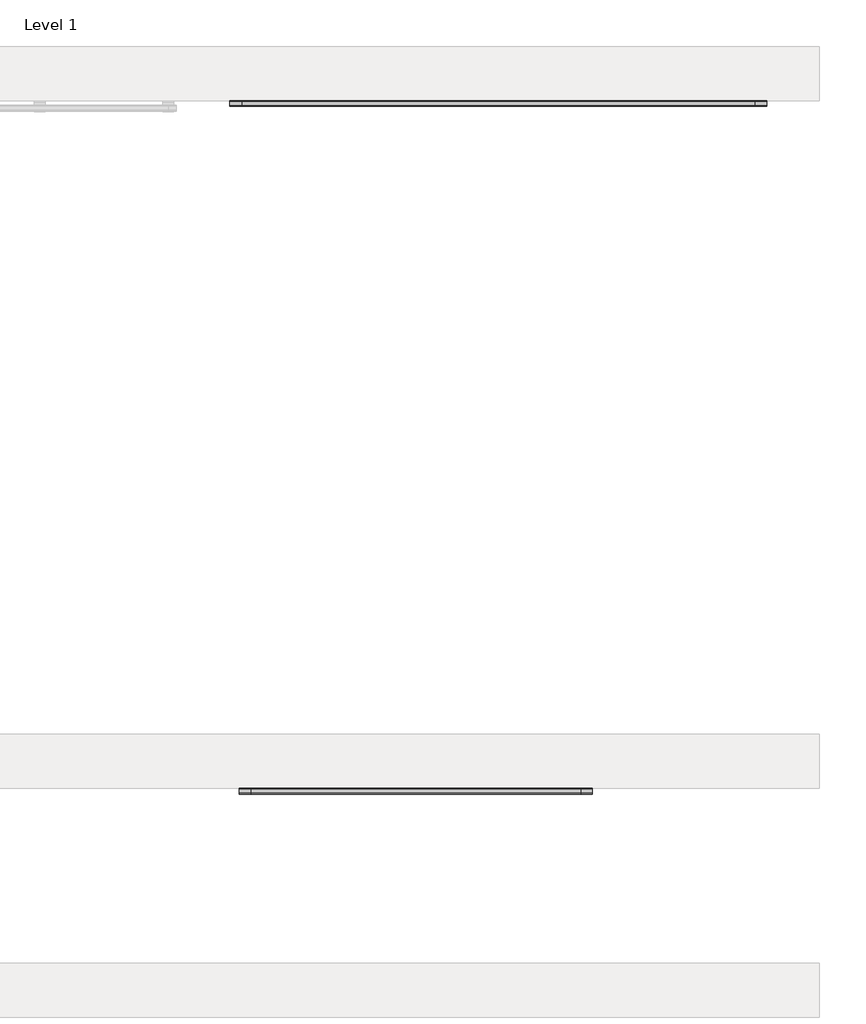
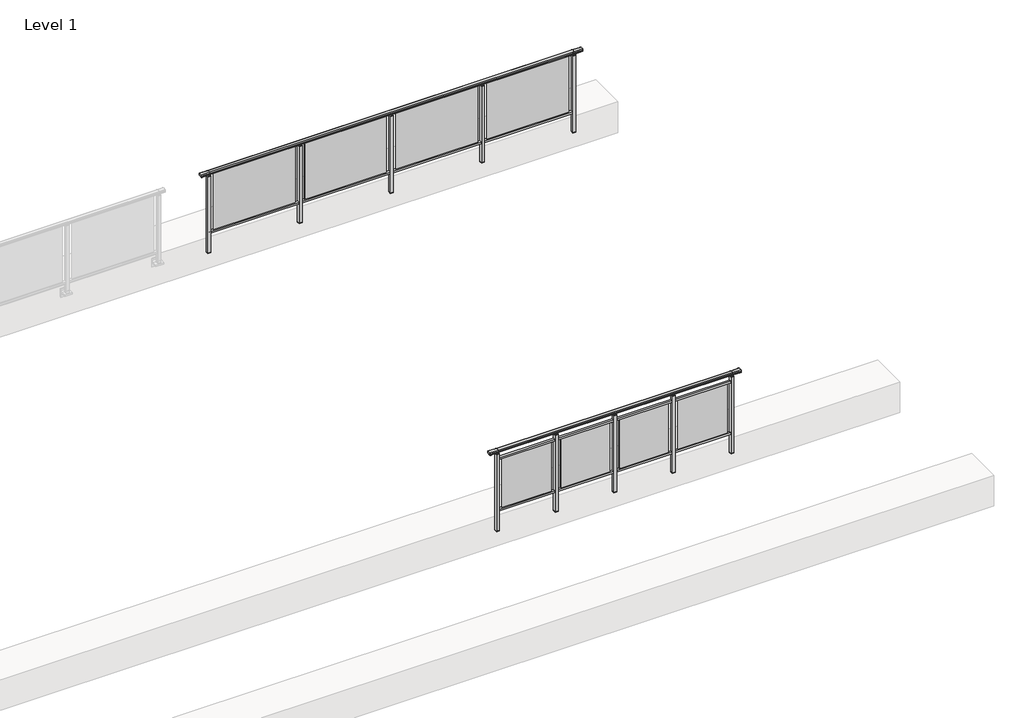
# One storey, part 44 of 64: 2 railings.
"""IFC4 building model written with IfcOpenShell, lengths in millimetres."""

from ifc_helpers import new_model, si_unit, frame, origin, place, context, project, spatial, polyline, circle_curve, outline, extrude, element, save
from ifc_brep_helpers import plane_surface, cylinder_surface, revolved_surface, advanced_brep

model = new_model("IFC4")

# Units and contexts
model_context = context("Model", 3, world=origin())
ifc_project = project(units=[si_unit("LENGTHUNIT", "METRE", prefix="MILLI")], contexts=[model_context])

# Site, building, storey
site = spatial("IfcSite", under=ifc_project)
building = spatial("IfcBuilding", under=site)
storey = spatial("IfcBuildingStorey", under=building, Name="Level 1", Elevation=0.0)

# Railings
placement = place(None, origin())
element("IfcRailing", 1, at=placement, inside=storey, context=model_context, shape_type="SolidModel", body=[
    advanced_brep(
    [(49272.5, 14892.8633756, 1095.6691182), (49272.5, 14897.6846828, 1081.1334092), (49272.5, 14896.7413744, 1069.2539035), (49272.5, 14898.6364177, 1061.4863007), (49272.5, 14896.9894799, 1060.384124), (49272.5, 14896.9894799, 1062.0), (49272.5, 14838.3798858, 1062.0), (49272.5, 14838.3798858, 1060.384124), (49272.5, 14836.732948, 1061.4863007), (49272.5, 14838.6279912, 1069.2539035), (49272.5, 14837.6846828, 1081.1334092), (49272.5, 14842.50599, 1095.6691182), (55127.5, 14892.8633756, 1095.6691182), (55127.5, 14842.50599, 1095.6691182), (55127.5, 14837.6846828, 1081.1334092), (55127.5, 14838.6279912, 1069.2539035), (55127.5, 14836.732948, 1061.4863007), (55127.5, 14838.3798858, 1060.384124), (55127.5, 14838.3798858, 1062.0), (55127.5, 14896.9894799, 1062.0), (55127.5, 14896.9894799, 1060.384124), (55127.5, 14898.6364177, 1061.4863007), (55127.5, 14896.7413744, 1069.2539035), (55127.5, 14897.6846828, 1081.1334092), (49400.0, 14892.8633756, 1095.6691182), (49400.0, 14897.6846828, 1081.1334092), (49400.0, 14896.7413744, 1069.2539035), (49400.0, 14898.6364177, 1061.4863007), (49400.0, 14896.9894799, 1060.384124), (49400.0, 14896.9894799, 1062.0), (49400.0, 14838.3798858, 1062.0), (49400.0, 14838.3798858, 1060.384124), (49400.0, 14836.732948, 1061.4863007), (49400.0, 14838.6279912, 1069.2539035), (49400.0, 14837.6846828, 1081.1334092), (49400.0, 14842.50599, 1095.6691182), (55000.0, 14892.8633756, 1095.6691182), (55000.0, 14897.6846828, 1081.1334092), (55000.0, 14896.7413744, 1069.2539035), (55000.0, 14898.6364177, 1061.4863007), (55000.0, 14896.9894799, 1060.384124), (55000.0, 14896.9894799, 1062.0), (55000.0, 14838.3798858, 1062.0), (55000.0, 14838.3798858, 1060.384124), (55000.0, 14836.732948, 1061.4863007), (55000.0, 14838.6279912, 1069.2539035), (55000.0, 14837.6846828, 1081.1334092), (55000.0, 14842.50599, 1095.6691182)],
    [
        (0, 1, circle_curve(frame((49272.5, 14889.6223845, 1086.526686), z_axis=(-1.0, 0.0, 0.0), x_axis=(0.0, -1.0, 0.0)), 9.6999015)),
        (1, 2, circle_curve(frame((49272.5, 14915.2252545, 1073.7633709), z_axis=(1.0, 0.0, 0.0), x_axis=(0.0, -1.0, 0.0)), 19.0260117)),
        (2, 3),
        (3, 4, circle_curve(frame((49272.5, 14897.7772073, 1060.9886194), z_axis=(-1.0, 0.0, 0.0), x_axis=(0.0, -1.0, 0.0)), 0.9929396)),
        (4, 5),
        (5, 6),
        (6, 7),
        (7, 8, circle_curve(frame((49272.5, 14837.5921584, 1060.9886194), z_axis=(-1.0, 0.0, 0.0), x_axis=(0.0, 1.0, 0.0)), 0.9929396)),
        (8, 9),
        (9, 10, circle_curve(frame((49272.5, 14820.1441111, 1073.7633709), z_axis=(1.0, 0.0, 0.0), x_axis=(0.0, 1.0, 0.0)), 19.0260117)),
        (10, 11, circle_curve(frame((49272.5, 14845.7469812, 1086.526686), z_axis=(-1.0, 0.0, 0.0), x_axis=(0.0, 1.0, 0.0)), 9.6999015)),
        (11, 0, circle_curve(frame((49272.5, 14867.6846828, 1024.6431628), z_axis=(-1.0, 0.0, 0.0), x_axis=(0.0, 1.0, 0.0)), 75.3568372)),
        (12, 13, circle_curve(frame((55127.5, 14867.6846828, 1024.6431628), z_axis=(1.0, 0.0, 0.0), x_axis=(0.0, 1.0, 0.0)), 75.3568372)),
        (13, 14, circle_curve(frame((55127.5, 14845.7469812, 1086.526686), z_axis=(1.0, 0.0, 0.0), x_axis=(0.0, 1.0, 0.0)), 9.6999015)),
        (14, 15, circle_curve(frame((55127.5, 14820.1441111, 1073.7633709), z_axis=(-1.0, 0.0, 0.0), x_axis=(0.0, 1.0, 0.0)), 19.0260117)),
        (15, 16),
        (16, 17, circle_curve(frame((55127.5, 14837.5921584, 1060.9886194), z_axis=(1.0, 0.0, 0.0), x_axis=(0.0, 1.0, 0.0)), 0.9929396)),
        (17, 18),
        (18, 19),
        (19, 20),
        (20, 21, circle_curve(frame((55127.5, 14897.7772073, 1060.9886194), z_axis=(1.0, 0.0, 0.0), x_axis=(0.0, -1.0, 0.0)), 0.9929396)),
        (21, 22),
        (22, 23, circle_curve(frame((55127.5, 14915.2252545, 1073.7633709), z_axis=(-1.0, 0.0, 0.0), x_axis=(0.0, -1.0, 0.0)), 19.0260117)),
        (23, 12, circle_curve(frame((55127.5, 14889.6223845, 1086.526686), z_axis=(1.0, 0.0, 0.0), x_axis=(0.0, -1.0, 0.0)), 9.6999015)),
        (0, 24),
        (24, 25, circle_curve(frame((49400.0, 14889.6223845, 1086.526686), z_axis=(-1.0, 0.0, 0.0), x_axis=(0.0, -1.0, 0.0)), 9.6999015)),
        (25, 1),
        (25, 26, circle_curve(frame((49400.0, 14915.2252545, 1073.7633709), z_axis=(1.0, 0.0, 0.0), x_axis=(0.0, -1.0, 0.0)), 19.0260117)),
        (26, 2),
        (26, 27),
        (27, 3),
        (27, 28, circle_curve(frame((49400.0, 14897.7772073, 1060.9886194), z_axis=(-1.0, 0.0, 0.0), x_axis=(0.0, -1.0, 0.0)), 0.9929396)),
        (28, 4),
        (28, 29),
        (29, 5),
        (29, 30),
        (30, 6),
        (30, 31),
        (31, 7),
        (31, 32, circle_curve(frame((49400.0, 14837.5921584, 1060.9886194), z_axis=(-1.0, 0.0, 0.0), x_axis=(0.0, 1.0, 0.0)), 0.9929396)),
        (32, 8),
        (32, 33),
        (33, 9),
        (33, 34, circle_curve(frame((49400.0, 14820.1441111, 1073.7633709), z_axis=(1.0, 0.0, 0.0), x_axis=(0.0, 1.0, 0.0)), 19.0260117)),
        (34, 10),
        (34, 35, circle_curve(frame((49400.0, 14845.7469812, 1086.526686), z_axis=(-1.0, 0.0, 0.0), x_axis=(0.0, 1.0, 0.0)), 9.6999015)),
        (35, 11),
        (35, 24, circle_curve(frame((49400.0, 14867.6846828, 1024.6431628), z_axis=(-1.0, 0.0, 0.0), x_axis=(0.0, 1.0, 0.0)), 75.3568372)),
        (24, 36),
        (36, 37, circle_curve(frame((55000.0, 14889.6223845, 1086.526686), z_axis=(-1.0, 0.0, 0.0), x_axis=(0.0, -1.0, 0.0)), 9.6999015)),
        (37, 25),
        (37, 38, circle_curve(frame((55000.0, 14915.2252545, 1073.7633709), z_axis=(1.0, 0.0, 0.0), x_axis=(0.0, -1.0, 0.0)), 19.0260117)),
        (38, 26),
        (38, 39),
        (39, 27),
        (39, 40, circle_curve(frame((55000.0, 14897.7772073, 1060.9886194), z_axis=(-1.0, 0.0, 0.0), x_axis=(0.0, -1.0, 0.0)), 0.9929396)),
        (40, 28),
        (40, 41),
        (41, 29),
        (41, 42),
        (42, 30),
        (42, 43),
        (43, 31),
        (43, 44, circle_curve(frame((55000.0, 14837.5921584, 1060.9886194), z_axis=(-1.0, 0.0, 0.0), x_axis=(0.0, 1.0, 0.0)), 0.9929396)),
        (44, 32),
        (44, 45),
        (45, 33),
        (45, 46, circle_curve(frame((55000.0, 14820.1441111, 1073.7633709), z_axis=(1.0, 0.0, 0.0), x_axis=(0.0, 1.0, 0.0)), 19.0260117)),
        (46, 34),
        (46, 47, circle_curve(frame((55000.0, 14845.7469812, 1086.526686), z_axis=(-1.0, 0.0, 0.0), x_axis=(0.0, 1.0, 0.0)), 9.6999015)),
        (47, 35),
        (47, 36, circle_curve(frame((55000.0, 14867.6846828, 1024.6431628), z_axis=(-1.0, 0.0, 0.0), x_axis=(0.0, 1.0, 0.0)), 75.3568372)),
        (36, 12),
        (23, 37),
        (22, 38),
        (21, 39),
        (20, 40),
        (19, 41),
        (18, 42),
        (17, 43),
        (16, 44),
        (15, 45),
        (14, 46),
        (13, 47),
    ],
    [
        plane_surface(frame((49272.5, 14867.6846828, 1100.0), z_axis=(-1.0, 0.0, 0.0), x_axis=(0.0, 1.0, 0.0))),
        plane_surface(frame((55127.5, 14867.6846828, 1100.0), z_axis=(1.0, 0.0, 0.0), x_axis=(0.0, 1.0, 0.0))),
        cylinder_surface(frame((49272.5, 14889.6223845, 1086.526686), z_axis=(-1.0, 0.0, 0.0), x_axis=(0.0, -1.0, 0.0)), 9.6999015),
        revolved_surface(polyline([(49400.0, 14896.1992428, 1073.7633709), (49272.5, 14896.1992428, 1073.7633709)]), (49272.5, 14915.2252545, 1073.7633709), (1.0, 0.0, 0.0)),
        plane_surface(frame((49272.5, 14896.7413744, 1069.2539035), z_axis=(0.0, 0.9715057689301543, 0.2370159086125439), x_axis=(1.0, 0.0, 0.0))),
        cylinder_surface(frame((49272.5, 14897.7772073, 1060.9886194), z_axis=(-1.0, 0.0, 0.0), x_axis=(0.0, -1.0, 0.0)), 0.9929396),
        plane_surface(frame((49272.5, 14896.9894799, 1060.384124), z_axis=(0.0, -1.0, 0.0), x_axis=(1.0, 0.0, 0.0))),
        plane_surface(frame((49272.5, 14896.9894799, 1062.0), z_axis=(0.0, 0.0, -1.0), x_axis=(1.0, 0.0, 0.0))),
        plane_surface(frame((49272.5, 14838.3798858, 1062.0), z_axis=(0.0, 1.0, 0.0), x_axis=(1.0, 0.0, 0.0))),
        cylinder_surface(frame((49272.5, 14837.5921584, 1060.9886194), z_axis=(-1.0, 0.0, 0.0), x_axis=(0.0, 1.0, 0.0)), 0.9929396),
        plane_surface(frame((49272.5, 14836.732948, 1061.4863007), z_axis=(0.0, -0.9715057689301543, 0.2370159086125439), x_axis=(1.0, 0.0, 0.0))),
        revolved_surface(polyline([(49400.0, 14839.1701228, 1073.7633709), (49272.5, 14839.1701228, 1073.7633709)]), (49272.5, 14820.1441111, 1073.7633709), (1.0, 0.0, 0.0)),
        cylinder_surface(frame((49272.5, 14845.7469812, 1086.526686), z_axis=(-1.0, 0.0, 0.0), x_axis=(0.0, 1.0, 0.0)), 9.6999015),
        cylinder_surface(frame((49272.5, 14867.6846828, 1024.6431628), z_axis=(-1.0, 0.0, 0.0), x_axis=(0.0, 1.0, 0.0)), 75.3568372),
        cylinder_surface(frame((49400.0, 14889.6223845, 1086.526686), z_axis=(-1.0, 0.0, 0.0), x_axis=(0.0, -1.0, 0.0)), 9.6999015),
        revolved_surface(polyline([(55000.0, 14896.1992428, 1073.7633709), (49400.0, 14896.1992428, 1073.7633709)]), (49400.0, 14915.2252545, 1073.7633709), (1.0, 0.0, 0.0)),
        plane_surface(frame((49400.0, 14896.7413744, 1069.2539035), z_axis=(0.0, 0.9715057689301543, 0.2370159086125439), x_axis=(1.0, 0.0, 0.0))),
        cylinder_surface(frame((49400.0, 14897.7772073, 1060.9886194), z_axis=(-1.0, 0.0, 0.0), x_axis=(0.0, -1.0, 0.0)), 0.9929396),
        plane_surface(frame((49400.0, 14896.9894799, 1060.384124), z_axis=(0.0, -1.0, 0.0), x_axis=(1.0, 0.0, 0.0))),
        plane_surface(frame((49400.0, 14896.9894799, 1062.0), z_axis=(0.0, 0.0, -1.0), x_axis=(1.0, 0.0, 0.0))),
        plane_surface(frame((49400.0, 14838.3798858, 1062.0), z_axis=(0.0, 1.0, 0.0), x_axis=(1.0, 0.0, 0.0))),
        cylinder_surface(frame((49400.0, 14837.5921584, 1060.9886194), z_axis=(-1.0, 0.0, 0.0), x_axis=(0.0, 1.0, 0.0)), 0.9929396),
        plane_surface(frame((49400.0, 14836.732948, 1061.4863007), z_axis=(0.0, -0.9715057689301543, 0.2370159086125439), x_axis=(1.0, 0.0, 0.0))),
        revolved_surface(polyline([(55000.0, 14839.1701228, 1073.7633709), (49400.0, 14839.1701228, 1073.7633709)]), (49400.0, 14820.1441111, 1073.7633709), (1.0, 0.0, 0.0)),
        cylinder_surface(frame((49400.0, 14845.7469812, 1086.526686), z_axis=(-1.0, 0.0, 0.0), x_axis=(0.0, 1.0, 0.0)), 9.6999015),
        cylinder_surface(frame((49400.0, 14867.6846828, 1024.6431628), z_axis=(-1.0, 0.0, 0.0), x_axis=(0.0, 1.0, 0.0)), 75.3568372),
        cylinder_surface(frame((55000.0, 14889.6223845, 1086.526686), z_axis=(-1.0, 0.0, 0.0), x_axis=(0.0, -1.0, 0.0)), 9.6999015),
        revolved_surface(polyline([(55127.5, 14896.1992428, 1073.7633709), (55000.0, 14896.1992428, 1073.7633709)]), (55000.0, 14915.2252545, 1073.7633709), (1.0, 0.0, 0.0)),
        plane_surface(frame((55000.0, 14896.7413744, 1069.2539035), z_axis=(0.0, 0.9715057689301543, 0.2370159086125439), x_axis=(1.0, 0.0, 0.0))),
        cylinder_surface(frame((55000.0, 14897.7772073, 1060.9886194), z_axis=(-1.0, 0.0, 0.0), x_axis=(0.0, -1.0, 0.0)), 0.9929396),
        plane_surface(frame((55000.0, 14896.9894799, 1060.384124), z_axis=(0.0, -1.0, 0.0), x_axis=(1.0, 0.0, 0.0))),
        plane_surface(frame((55000.0, 14896.9894799, 1062.0), z_axis=(0.0, 0.0, -1.0), x_axis=(1.0, 0.0, 0.0))),
        plane_surface(frame((55000.0, 14838.3798858, 1062.0), z_axis=(0.0, 1.0, 0.0), x_axis=(1.0, 0.0, 0.0))),
        cylinder_surface(frame((55000.0, 14837.5921584, 1060.9886194), z_axis=(-1.0, 0.0, 0.0), x_axis=(0.0, 1.0, 0.0)), 0.9929396),
        plane_surface(frame((55000.0, 14836.732948, 1061.4863007), z_axis=(0.0, -0.9715057689301543, 0.2370159086125439), x_axis=(1.0, 0.0, 0.0))),
        revolved_surface(polyline([(55127.5, 14839.1701228, 1073.7633709), (55000.0, 14839.1701228, 1073.7633709)]), (55000.0, 14820.1441111, 1073.7633709), (1.0, 0.0, 0.0)),
        cylinder_surface(frame((55000.0, 14845.7469812, 1086.526686), z_axis=(-1.0, 0.0, 0.0), x_axis=(0.0, 1.0, 0.0)), 9.6999015),
        cylinder_surface(frame((55000.0, 14867.6846828, 1024.6431628), z_axis=(-1.0, 0.0, 0.0), x_axis=(0.0, 1.0, 0.0)), 75.3568372),
    ],
    [
        (0, [[1, 2, 3, 4, 5, 6, 7, 8, 9, 10, 11, 12]]),
        (1, [[13, 14, 15, 16, 17, 18, 19, 20, 21, 22, 23, 24]]),
        (2, [[-1, 25, 26, 27]]),
        (3, [[-2, -27, 28, 29]]),
        (4, [[-3, -29, 30, 31]]),
        (5, [[-4, -31, 32, 33]]),
        (6, [[-5, -33, 34, 35]]),
        (7, [[-6, -35, 36, 37]]),
        (8, [[-7, -37, 38, 39]]),
        (9, [[-8, -39, 40, 41]]),
        (10, [[-9, -41, 42, 43]]),
        (11, [[-10, -43, 44, 45]]),
        (12, [[-11, -45, 46, 47]]),
        (13, [[-12, -47, 48, -25]]),
        (14, [[-26, 49, 50, 51]]),
        (15, [[-28, -51, 52, 53]]),
        (16, [[-30, -53, 54, 55]]),
        (17, [[-32, -55, 56, 57]]),
        (18, [[-34, -57, 58, 59]]),
        (19, [[-36, -59, 60, 61]]),
        (20, [[-38, -61, 62, 63]]),
        (21, [[-40, -63, 64, 65]]),
        (22, [[-42, -65, 66, 67]]),
        (23, [[-44, -67, 68, 69]]),
        (24, [[-46, -69, 70, 71]]),
        (25, [[-48, -71, 72, -49]]),
        (26, [[-50, 73, -24, 74]]),
        (27, [[-52, -74, -23, 75]]),
        (28, [[-54, -75, -22, 76]]),
        (29, [[-56, -76, -21, 77]]),
        (30, [[-58, -77, -20, 78]]),
        (31, [[-60, -78, -19, 79]]),
        (32, [[-62, -79, -18, 80]]),
        (33, [[-64, -80, -17, 81]]),
        (34, [[-66, -81, -16, 82]]),
        (35, [[-68, -82, -15, 83]]),
        (36, [[-70, -83, -14, 84]]),
        (37, [[-72, -84, -13, -73]]),
    ],
),
    extrude(outline(polyline([(49400.0, 14850.1846828), (49400.0, 14885.1846828), (55000.0, 14885.1846828), (55000.0, 14850.1846828), (49400.0, 14850.1846828)])), frame((0.0, 0.0, 95.0), z_axis=(0.0, 0.0, 1.0), x_axis=(1.0, 0.0, 0.0)), (0.0, 0.0, 1.0), 30.0),
    extrude(outline(polyline([(53672.5, 14865.9094929), (53672.5, 14871.9094929), (54927.5, 14871.9094929), (54927.5, 14865.9094929), (53672.5, 14865.9094929)])), frame((0.0, 0.0, 125.0), z_axis=(0.0, 0.0, 1.0), x_axis=(1.0, 0.0, 0.0)), (0.0, 0.0, 1.0), 930.0),
    extrude(outline(polyline([(53622.5, 14890.1846828), (53622.5, 14845.1846828), (53577.5, 14845.1846828), (53577.5, 14890.1846828), (53622.5, 14890.1846828)])), frame((0.0, 0.0, 1027.0), z_axis=(0.0, 0.0, 1.0), x_axis=(1.0, 0.0, 0.0)), (0.0, 0.0, 1.0), 8.0),
    extrude(outline(polyline([(53622.5, 14890.1846828), (53622.5, 14845.1846828), (53577.5, 14845.1846828), (53577.5, 14890.1846828), (53622.5, 14890.1846828)])), frame((0.0, 0.0, -212.0), z_axis=(0.0, 0.0, 1.0), x_axis=(1.0, 0.0, 0.0)), (0.0, 0.0, 1.0), 1239.0),
    extrude(outline(polyline([(53610.0, 14877.6846828), (53610.0, 14857.6846828), (53590.0, 14857.6846828), (53590.0, 14877.6846828), (53610.0, 14877.6846828)])), frame((0.0, 0.0, 1035.0), z_axis=(0.0, 0.0, 1.0), x_axis=(1.0, 0.0, 0.0)), (0.0, 0.0, 1.0), 20.0),
    extrude(outline(polyline([(53622.5, 14890.1846828), (53622.5, 14845.1846828), (53577.5, 14845.1846828), (53577.5, 14890.1846828), (53622.5, 14890.1846828)])), frame((0.0, 0.0, -220.0), z_axis=(0.0, 0.0, 1.0), x_axis=(1.0, 0.0, 0.0)), (0.0, 0.0, 1.0), 8.0),
    extrude(outline(polyline([(52272.5, 14865.9094929), (52272.5, 14871.9094929), (53527.5, 14871.9094929), (53527.5, 14865.9094929), (52272.5, 14865.9094929)])), frame((0.0, 0.0, 125.0), z_axis=(0.0, 0.0, 1.0), x_axis=(1.0, 0.0, 0.0)), (0.0, 0.0, 1.0), 930.0),
    extrude(outline(polyline([(52222.5, 14890.1846828), (52222.5, 14845.1846828), (52177.5, 14845.1846828), (52177.5, 14890.1846828), (52222.5, 14890.1846828)])), frame((0.0, 0.0, 1027.0), z_axis=(0.0, 0.0, 1.0), x_axis=(1.0, 0.0, 0.0)), (0.0, 0.0, 1.0), 8.0),
    extrude(outline(polyline([(52222.5, 14890.1846828), (52222.5, 14845.1846828), (52177.5, 14845.1846828), (52177.5, 14890.1846828), (52222.5, 14890.1846828)])), frame((0.0, 0.0, -212.0), z_axis=(0.0, 0.0, 1.0), x_axis=(1.0, 0.0, 0.0)), (0.0, 0.0, 1.0), 1239.0),
    extrude(outline(polyline([(52210.0, 14877.6846828), (52210.0, 14857.6846828), (52190.0, 14857.6846828), (52190.0, 14877.6846828), (52210.0, 14877.6846828)])), frame((0.0, 0.0, 1035.0), z_axis=(0.0, 0.0, 1.0), x_axis=(1.0, 0.0, 0.0)), (0.0, 0.0, 1.0), 20.0),
    extrude(outline(polyline([(52222.5, 14890.1846828), (52222.5, 14845.1846828), (52177.5, 14845.1846828), (52177.5, 14890.1846828), (52222.5, 14890.1846828)])), frame((0.0, 0.0, -220.0), z_axis=(0.0, 0.0, 1.0), x_axis=(1.0, 0.0, 0.0)), (0.0, 0.0, 1.0), 8.0),
    extrude(outline(polyline([(50872.5, 14865.9094929), (50872.5, 14871.9094929), (52127.5, 14871.9094929), (52127.5, 14865.9094929), (50872.5, 14865.9094929)])), frame((0.0, 0.0, 125.0), z_axis=(0.0, 0.0, 1.0), x_axis=(1.0, 0.0, 0.0)), (0.0, 0.0, 1.0), 930.0),
    extrude(outline(polyline([(50822.5, 14890.1846828), (50822.5, 14845.1846828), (50777.5, 14845.1846828), (50777.5, 14890.1846828), (50822.5, 14890.1846828)])), frame((0.0, 0.0, 1027.0), z_axis=(0.0, 0.0, 1.0), x_axis=(1.0, 0.0, 0.0)), (0.0, 0.0, 1.0), 8.0),
    extrude(outline(polyline([(50822.5, 14890.1846828), (50822.5, 14845.1846828), (50777.5, 14845.1846828), (50777.5, 14890.1846828), (50822.5, 14890.1846828)])), frame((0.0, 0.0, -212.0), z_axis=(0.0, 0.0, 1.0), x_axis=(1.0, 0.0, 0.0)), (0.0, 0.0, 1.0), 1239.0),
    extrude(outline(polyline([(50810.0, 14877.6846828), (50810.0, 14857.6846828), (50790.0, 14857.6846828), (50790.0, 14877.6846828), (50810.0, 14877.6846828)])), frame((0.0, 0.0, 1035.0), z_axis=(0.0, 0.0, 1.0), x_axis=(1.0, 0.0, 0.0)), (0.0, 0.0, 1.0), 20.0),
    extrude(outline(polyline([(50822.5, 14890.1846828), (50822.5, 14845.1846828), (50777.5, 14845.1846828), (50777.5, 14890.1846828), (50822.5, 14890.1846828)])), frame((0.0, 0.0, -220.0), z_axis=(0.0, 0.0, 1.0), x_axis=(1.0, 0.0, 0.0)), (0.0, 0.0, 1.0), 8.0),
    extrude(outline(polyline([(49472.5, 14865.9094929), (49472.5, 14871.9094929), (50727.5, 14871.9094929), (50727.5, 14865.9094929), (49472.5, 14865.9094929)])), frame((0.0, 0.0, 125.0), z_axis=(0.0, 0.0, 1.0), x_axis=(1.0, 0.0, 0.0)), (0.0, 0.0, 1.0), 930.0),
    extrude(outline(polyline([(55022.5, 14890.1846828), (55022.5, 14845.1846828), (54977.5, 14845.1846828), (54977.5, 14890.1846828), (55022.5, 14890.1846828)])), frame((0.0, 0.0, 1027.0), z_axis=(0.0, 0.0, 1.0), x_axis=(1.0, 0.0, 0.0)), (0.0, 0.0, 1.0), 8.0),
    extrude(outline(polyline([(55022.5, 14890.1846828), (55022.5, 14845.1846828), (54977.5, 14845.1846828), (54977.5, 14890.1846828), (55022.5, 14890.1846828)])), frame((0.0, 0.0, -212.0), z_axis=(0.0, 0.0, 1.0), x_axis=(1.0, 0.0, 0.0)), (0.0, 0.0, 1.0), 1239.0),
    extrude(outline(polyline([(55010.0, 14877.6846828), (55010.0, 14857.6846828), (54990.0, 14857.6846828), (54990.0, 14877.6846828), (55010.0, 14877.6846828)])), frame((0.0, 0.0, 1035.0), z_axis=(0.0, 0.0, 1.0), x_axis=(1.0, 0.0, 0.0)), (0.0, 0.0, 1.0), 20.0),
    extrude(outline(polyline([(55022.5, 14890.1846828), (55022.5, 14845.1846828), (54977.5, 14845.1846828), (54977.5, 14890.1846828), (55022.5, 14890.1846828)])), frame((0.0, 0.0, -220.0), z_axis=(0.0, 0.0, 1.0), x_axis=(1.0, 0.0, 0.0)), (0.0, 0.0, 1.0), 8.0),
    extrude(outline(polyline([(49422.5, 14890.1846828), (49422.5, 14845.1846828), (49377.5, 14845.1846828), (49377.5, 14890.1846828), (49422.5, 14890.1846828)])), frame((0.0, 0.0, 1027.0), z_axis=(0.0, 0.0, 1.0), x_axis=(1.0, 0.0, 0.0)), (0.0, 0.0, 1.0), 8.0),
    extrude(outline(polyline([(49422.5, 14890.1846828), (49422.5, 14845.1846828), (49377.5, 14845.1846828), (49377.5, 14890.1846828), (49422.5, 14890.1846828)])), frame((0.0, 0.0, -212.0), z_axis=(0.0, 0.0, 1.0), x_axis=(1.0, 0.0, 0.0)), (0.0, 0.0, 1.0), 1239.0),
    extrude(outline(polyline([(49410.0, 14877.6846828), (49410.0, 14857.6846828), (49390.0, 14857.6846828), (49390.0, 14877.6846828), (49410.0, 14877.6846828)])), frame((0.0, 0.0, 1035.0), z_axis=(0.0, 0.0, 1.0), x_axis=(1.0, 0.0, 0.0)), (0.0, 0.0, 1.0), 20.0),
    extrude(outline(polyline([(49422.5, 14890.1846828), (49422.5, 14845.1846828), (49377.5, 14845.1846828), (49377.5, 14890.1846828), (49422.5, 14890.1846828)])), frame((0.0, 0.0, -220.0), z_axis=(0.0, 0.0, 1.0), x_axis=(1.0, 0.0, 0.0)), (0.0, 0.0, 1.0), 8.0),
])
element("IfcRailing", 2, at=placement, inside=storey, context=model_context, shape_type="SolidModel", body=[
    advanced_brep(
    [(49372.5, 7392.8633756, 1095.6691182), (49372.5, 7397.6846828, 1081.1334092), (49372.5, 7396.7413744, 1069.2539035), (49372.5, 7398.6364177, 1061.4863007), (49372.5, 7396.9894799, 1060.384124), (49372.5, 7396.9894799, 1062.0), (49372.5, 7338.3798858, 1062.0), (49372.5, 7338.3798858, 1060.384124), (49372.5, 7336.732948, 1061.4863007), (49372.5, 7338.6279912, 1069.2539035), (49372.5, 7337.6846828, 1081.1334092), (49372.5, 7342.50599, 1095.6691182), (53227.5, 7392.8633756, 1095.6691182), (53227.5, 7342.50599, 1095.6691182), (53227.5, 7337.6846828, 1081.1334092), (53227.5, 7338.6279912, 1069.2539035), (53227.5, 7336.732948, 1061.4863007), (53227.5, 7338.3798858, 1060.384124), (53227.5, 7338.3798858, 1062.0), (53227.5, 7396.9894799, 1062.0), (53227.5, 7396.9894799, 1060.384124), (53227.5, 7398.6364177, 1061.4863007), (53227.5, 7396.7413744, 1069.2539035), (53227.5, 7397.6846828, 1081.1334092), (49500.0, 7392.8633756, 1095.6691182), (49500.0, 7397.6846828, 1081.1334092), (49500.0, 7396.7413744, 1069.2539035), (49500.0, 7398.6364177, 1061.4863007), (49500.0, 7396.9894799, 1060.384124), (49500.0, 7396.9894799, 1062.0), (49500.0, 7338.3798858, 1062.0), (49500.0, 7338.3798858, 1060.384124), (49500.0, 7336.732948, 1061.4863007), (49500.0, 7338.6279912, 1069.2539035), (49500.0, 7337.6846828, 1081.1334092), (49500.0, 7342.50599, 1095.6691182), (53100.0, 7392.8633756, 1095.6691182), (53100.0, 7397.6846828, 1081.1334092), (53100.0, 7396.7413744, 1069.2539035), (53100.0, 7398.6364177, 1061.4863007), (53100.0, 7396.9894799, 1060.384124), (53100.0, 7396.9894799, 1062.0), (53100.0, 7338.3798858, 1062.0), (53100.0, 7338.3798858, 1060.384124), (53100.0, 7336.732948, 1061.4863007), (53100.0, 7338.6279912, 1069.2539035), (53100.0, 7337.6846828, 1081.1334092), (53100.0, 7342.50599, 1095.6691182)],
    [
        (0, 1, circle_curve(frame((49372.5, 7389.6223845, 1086.526686), z_axis=(-1.0, 0.0, 0.0), x_axis=(0.0, -1.0, 0.0)), 9.6999015)),
        (1, 2, circle_curve(frame((49372.5, 7415.2252545, 1073.7633709), z_axis=(1.0, 0.0, 0.0), x_axis=(0.0, -1.0, 0.0)), 19.0260117)),
        (2, 3),
        (3, 4, circle_curve(frame((49372.5, 7397.7772073, 1060.9886194), z_axis=(-1.0, 0.0, 0.0), x_axis=(0.0, -1.0, 0.0)), 0.9929396)),
        (4, 5),
        (5, 6),
        (6, 7),
        (7, 8, circle_curve(frame((49372.5, 7337.5921584, 1060.9886194), z_axis=(-1.0, 0.0, 0.0), x_axis=(0.0, 1.0, 0.0)), 0.9929396)),
        (8, 9),
        (9, 10, circle_curve(frame((49372.5, 7320.1441111, 1073.7633709), z_axis=(1.0, 0.0, 0.0), x_axis=(0.0, 1.0, 0.0)), 19.0260117)),
        (10, 11, circle_curve(frame((49372.5, 7345.7469812, 1086.526686), z_axis=(-1.0, 0.0, 0.0), x_axis=(0.0, 1.0, 0.0)), 9.6999015)),
        (11, 0, circle_curve(frame((49372.5, 7367.6846828, 1024.6431628), z_axis=(-1.0, 0.0, 0.0), x_axis=(0.0, 1.0, 0.0)), 75.3568372)),
        (12, 13, circle_curve(frame((53227.5, 7367.6846828, 1024.6431628), z_axis=(1.0, 0.0, 0.0), x_axis=(0.0, 1.0, 0.0)), 75.3568372)),
        (13, 14, circle_curve(frame((53227.5, 7345.7469812, 1086.526686), z_axis=(1.0, 0.0, 0.0), x_axis=(0.0, 1.0, 0.0)), 9.6999015)),
        (14, 15, circle_curve(frame((53227.5, 7320.1441111, 1073.7633709), z_axis=(-1.0, 0.0, 0.0), x_axis=(0.0, 1.0, 0.0)), 19.0260117)),
        (15, 16),
        (16, 17, circle_curve(frame((53227.5, 7337.5921584, 1060.9886194), z_axis=(1.0, 0.0, 0.0), x_axis=(0.0, 1.0, 0.0)), 0.9929396)),
        (17, 18),
        (18, 19),
        (19, 20),
        (20, 21, circle_curve(frame((53227.5, 7397.7772073, 1060.9886194), z_axis=(1.0, 0.0, 0.0), x_axis=(0.0, -1.0, 0.0)), 0.9929396)),
        (21, 22),
        (22, 23, circle_curve(frame((53227.5, 7415.2252545, 1073.7633709), z_axis=(-1.0, 0.0, 0.0), x_axis=(0.0, -1.0, 0.0)), 19.0260117)),
        (23, 12, circle_curve(frame((53227.5, 7389.6223845, 1086.526686), z_axis=(1.0, 0.0, 0.0), x_axis=(0.0, -1.0, 0.0)), 9.6999015)),
        (0, 24),
        (24, 25, circle_curve(frame((49500.0, 7389.6223845, 1086.526686), z_axis=(-1.0, 0.0, 0.0), x_axis=(0.0, -1.0, 0.0)), 9.6999015)),
        (25, 1),
        (25, 26, circle_curve(frame((49500.0, 7415.2252545, 1073.7633709), z_axis=(1.0, 0.0, 0.0), x_axis=(0.0, -1.0, 0.0)), 19.0260117)),
        (26, 2),
        (26, 27),
        (27, 3),
        (27, 28, circle_curve(frame((49500.0, 7397.7772073, 1060.9886194), z_axis=(-1.0, 0.0, 0.0), x_axis=(0.0, -1.0, 0.0)), 0.9929396)),
        (28, 4),
        (28, 29),
        (29, 5),
        (29, 30),
        (30, 6),
        (30, 31),
        (31, 7),
        (31, 32, circle_curve(frame((49500.0, 7337.5921584, 1060.9886194), z_axis=(-1.0, 0.0, 0.0), x_axis=(0.0, 1.0, 0.0)), 0.9929396)),
        (32, 8),
        (32, 33),
        (33, 9),
        (33, 34, circle_curve(frame((49500.0, 7320.1441111, 1073.7633709), z_axis=(1.0, 0.0, 0.0), x_axis=(0.0, 1.0, 0.0)), 19.0260117)),
        (34, 10),
        (34, 35, circle_curve(frame((49500.0, 7345.7469812, 1086.526686), z_axis=(-1.0, 0.0, 0.0), x_axis=(0.0, 1.0, 0.0)), 9.6999015)),
        (35, 11),
        (35, 24, circle_curve(frame((49500.0, 7367.6846828, 1024.6431628), z_axis=(-1.0, 0.0, 0.0), x_axis=(0.0, 1.0, 0.0)), 75.3568372)),
        (24, 36),
        (36, 37, circle_curve(frame((53100.0, 7389.6223845, 1086.526686), z_axis=(-1.0, 0.0, 0.0), x_axis=(0.0, -1.0, 0.0)), 9.6999015)),
        (37, 25),
        (37, 38, circle_curve(frame((53100.0, 7415.2252545, 1073.7633709), z_axis=(1.0, 0.0, 0.0), x_axis=(0.0, -1.0, 0.0)), 19.0260117)),
        (38, 26),
        (38, 39),
        (39, 27),
        (39, 40, circle_curve(frame((53100.0, 7397.7772073, 1060.9886194), z_axis=(-1.0, 0.0, 0.0), x_axis=(0.0, -1.0, 0.0)), 0.9929396)),
        (40, 28),
        (40, 41),
        (41, 29),
        (41, 42),
        (42, 30),
        (42, 43),
        (43, 31),
        (43, 44, circle_curve(frame((53100.0, 7337.5921584, 1060.9886194), z_axis=(-1.0, 0.0, 0.0), x_axis=(0.0, 1.0, 0.0)), 0.9929396)),
        (44, 32),
        (44, 45),
        (45, 33),
        (45, 46, circle_curve(frame((53100.0, 7320.1441111, 1073.7633709), z_axis=(1.0, 0.0, 0.0), x_axis=(0.0, 1.0, 0.0)), 19.0260117)),
        (46, 34),
        (46, 47, circle_curve(frame((53100.0, 7345.7469812, 1086.526686), z_axis=(-1.0, 0.0, 0.0), x_axis=(0.0, 1.0, 0.0)), 9.6999015)),
        (47, 35),
        (47, 36, circle_curve(frame((53100.0, 7367.6846828, 1024.6431628), z_axis=(-1.0, 0.0, 0.0), x_axis=(0.0, 1.0, 0.0)), 75.3568372)),
        (36, 12),
        (23, 37),
        (22, 38),
        (21, 39),
        (20, 40),
        (19, 41),
        (18, 42),
        (17, 43),
        (16, 44),
        (15, 45),
        (14, 46),
        (13, 47),
    ],
    [
        plane_surface(frame((49372.5, 7367.6846828, 1100.0), z_axis=(-1.0, 0.0, 0.0), x_axis=(0.0, 1.0, 0.0))),
        plane_surface(frame((53227.5, 7367.6846828, 1100.0), z_axis=(1.0, 0.0, 0.0), x_axis=(0.0, 1.0, 0.0))),
        cylinder_surface(frame((49372.5, 7389.6223845, 1086.526686), z_axis=(-1.0, 0.0, 0.0), x_axis=(0.0, -1.0, 0.0)), 9.6999015),
        revolved_surface(polyline([(49500.0, 7396.1992428, 1073.7633709), (49372.5, 7396.1992428, 1073.7633709)]), (49372.5, 7415.2252545, 1073.7633709), (1.0, 0.0, 0.0)),
        plane_surface(frame((49372.5, 7396.7413744, 1069.2539035), z_axis=(0.0, 0.9715057689301543, 0.2370159086125439), x_axis=(1.0, 0.0, 0.0))),
        cylinder_surface(frame((49372.5, 7397.7772073, 1060.9886194), z_axis=(-1.0, 0.0, 0.0), x_axis=(0.0, -1.0, 0.0)), 0.9929396),
        plane_surface(frame((49372.5, 7396.9894799, 1060.384124), z_axis=(0.0, -1.0, 0.0), x_axis=(1.0, 0.0, 0.0))),
        plane_surface(frame((49372.5, 7396.9894799, 1062.0), z_axis=(0.0, 0.0, -1.0), x_axis=(1.0, 0.0, 0.0))),
        plane_surface(frame((49372.5, 7338.3798858, 1062.0), z_axis=(0.0, 1.0, 0.0), x_axis=(1.0, 0.0, 0.0))),
        cylinder_surface(frame((49372.5, 7337.5921584, 1060.9886194), z_axis=(-1.0, 0.0, 0.0), x_axis=(0.0, 1.0, 0.0)), 0.9929396),
        plane_surface(frame((49372.5, 7336.732948, 1061.4863007), z_axis=(0.0, -0.9715057689301543, 0.2370159086125439), x_axis=(1.0, 0.0, 0.0))),
        revolved_surface(polyline([(49500.0, 7339.1701228, 1073.7633709), (49372.5, 7339.1701228, 1073.7633709)]), (49372.5, 7320.1441111, 1073.7633709), (1.0, 0.0, 0.0)),
        cylinder_surface(frame((49372.5, 7345.7469812, 1086.526686), z_axis=(-1.0, 0.0, 0.0), x_axis=(0.0, 1.0, 0.0)), 9.6999015),
        cylinder_surface(frame((49372.5, 7367.6846828, 1024.6431628), z_axis=(-1.0, 0.0, 0.0), x_axis=(0.0, 1.0, 0.0)), 75.3568372),
        cylinder_surface(frame((49500.0, 7389.6223845, 1086.526686), z_axis=(-1.0, 0.0, 0.0), x_axis=(0.0, -1.0, 0.0)), 9.6999015),
        revolved_surface(polyline([(53100.0, 7396.1992428, 1073.7633709), (49500.0, 7396.1992428, 1073.7633709)]), (49500.0, 7415.2252545, 1073.7633709), (1.0, 0.0, 0.0)),
        plane_surface(frame((49500.0, 7396.7413744, 1069.2539035), z_axis=(0.0, 0.9715057689301543, 0.2370159086125439), x_axis=(1.0, 0.0, 0.0))),
        cylinder_surface(frame((49500.0, 7397.7772073, 1060.9886194), z_axis=(-1.0, 0.0, 0.0), x_axis=(0.0, -1.0, 0.0)), 0.9929396),
        plane_surface(frame((49500.0, 7396.9894799, 1060.384124), z_axis=(0.0, -1.0, 0.0), x_axis=(1.0, 0.0, 0.0))),
        plane_surface(frame((49500.0, 7396.9894799, 1062.0), z_axis=(0.0, 0.0, -1.0), x_axis=(1.0, 0.0, 0.0))),
        plane_surface(frame((49500.0, 7338.3798858, 1062.0), z_axis=(0.0, 1.0, 0.0), x_axis=(1.0, 0.0, 0.0))),
        cylinder_surface(frame((49500.0, 7337.5921584, 1060.9886194), z_axis=(-1.0, 0.0, 0.0), x_axis=(0.0, 1.0, 0.0)), 0.9929396),
        plane_surface(frame((49500.0, 7336.732948, 1061.4863007), z_axis=(0.0, -0.9715057689301543, 0.2370159086125439), x_axis=(1.0, 0.0, 0.0))),
        revolved_surface(polyline([(53100.0, 7339.1701228, 1073.7633709), (49500.0, 7339.1701228, 1073.7633709)]), (49500.0, 7320.1441111, 1073.7633709), (1.0, 0.0, 0.0)),
        cylinder_surface(frame((49500.0, 7345.7469812, 1086.526686), z_axis=(-1.0, 0.0, 0.0), x_axis=(0.0, 1.0, 0.0)), 9.6999015),
        cylinder_surface(frame((49500.0, 7367.6846828, 1024.6431628), z_axis=(-1.0, 0.0, 0.0), x_axis=(0.0, 1.0, 0.0)), 75.3568372),
        cylinder_surface(frame((53100.0, 7389.6223845, 1086.526686), z_axis=(-1.0, 0.0, 0.0), x_axis=(0.0, -1.0, 0.0)), 9.6999015),
        revolved_surface(polyline([(53227.5, 7396.1992428, 1073.7633709), (53100.0, 7396.1992428, 1073.7633709)]), (53100.0, 7415.2252545, 1073.7633709), (1.0, 0.0, 0.0)),
        plane_surface(frame((53100.0, 7396.7413744, 1069.2539035), z_axis=(0.0, 0.9715057689301543, 0.2370159086125439), x_axis=(1.0, 0.0, 0.0))),
        cylinder_surface(frame((53100.0, 7397.7772073, 1060.9886194), z_axis=(-1.0, 0.0, 0.0), x_axis=(0.0, -1.0, 0.0)), 0.9929396),
        plane_surface(frame((53100.0, 7396.9894799, 1060.384124), z_axis=(0.0, -1.0, 0.0), x_axis=(1.0, 0.0, 0.0))),
        plane_surface(frame((53100.0, 7396.9894799, 1062.0), z_axis=(0.0, 0.0, -1.0), x_axis=(1.0, 0.0, 0.0))),
        plane_surface(frame((53100.0, 7338.3798858, 1062.0), z_axis=(0.0, 1.0, 0.0), x_axis=(1.0, 0.0, 0.0))),
        cylinder_surface(frame((53100.0, 7337.5921584, 1060.9886194), z_axis=(-1.0, 0.0, 0.0), x_axis=(0.0, 1.0, 0.0)), 0.9929396),
        plane_surface(frame((53100.0, 7336.732948, 1061.4863007), z_axis=(0.0, -0.9715057689301543, 0.2370159086125439), x_axis=(1.0, 0.0, 0.0))),
        revolved_surface(polyline([(53227.5, 7339.1701228, 1073.7633709), (53100.0, 7339.1701228, 1073.7633709)]), (53100.0, 7320.1441111, 1073.7633709), (1.0, 0.0, 0.0)),
        cylinder_surface(frame((53100.0, 7345.7469812, 1086.526686), z_axis=(-1.0, 0.0, 0.0), x_axis=(0.0, 1.0, 0.0)), 9.6999015),
        cylinder_surface(frame((53100.0, 7367.6846828, 1024.6431628), z_axis=(-1.0, 0.0, 0.0), x_axis=(0.0, 1.0, 0.0)), 75.3568372),
    ],
    [
        (0, [[1, 2, 3, 4, 5, 6, 7, 8, 9, 10, 11, 12]]),
        (1, [[13, 14, 15, 16, 17, 18, 19, 20, 21, 22, 23, 24]]),
        (2, [[-1, 25, 26, 27]]),
        (3, [[-2, -27, 28, 29]]),
        (4, [[-3, -29, 30, 31]]),
        (5, [[-4, -31, 32, 33]]),
        (6, [[-5, -33, 34, 35]]),
        (7, [[-6, -35, 36, 37]]),
        (8, [[-7, -37, 38, 39]]),
        (9, [[-8, -39, 40, 41]]),
        (10, [[-9, -41, 42, 43]]),
        (11, [[-10, -43, 44, 45]]),
        (12, [[-11, -45, 46, 47]]),
        (13, [[-12, -47, 48, -25]]),
        (14, [[-26, 49, 50, 51]]),
        (15, [[-28, -51, 52, 53]]),
        (16, [[-30, -53, 54, 55]]),
        (17, [[-32, -55, 56, 57]]),
        (18, [[-34, -57, 58, 59]]),
        (19, [[-36, -59, 60, 61]]),
        (20, [[-38, -61, 62, 63]]),
        (21, [[-40, -63, 64, 65]]),
        (22, [[-42, -65, 66, 67]]),
        (23, [[-44, -67, 68, 69]]),
        (24, [[-46, -69, 70, 71]]),
        (25, [[-48, -71, 72, -49]]),
        (26, [[-50, 73, -24, 74]]),
        (27, [[-52, -74, -23, 75]]),
        (28, [[-54, -75, -22, 76]]),
        (29, [[-56, -76, -21, 77]]),
        (30, [[-58, -77, -20, 78]]),
        (31, [[-60, -78, -19, 79]]),
        (32, [[-62, -79, -18, 80]]),
        (33, [[-64, -80, -17, 81]]),
        (34, [[-66, -81, -16, 82]]),
        (35, [[-68, -82, -15, 83]]),
        (36, [[-70, -83, -14, 84]]),
        (37, [[-72, -84, -13, -73]]),
    ],
),
    extrude(outline(polyline([(49500.0, 7350.1846828), (49500.0, 7385.1846828), (53100.0, 7385.1846828), (53100.0, 7350.1846828), (49500.0, 7350.1846828)])), frame((0.0, 0.0, 930.0), z_axis=(0.0, 0.0, 1.0), x_axis=(1.0, 0.0, 0.0)), (0.0, 0.0, 1.0), 30.0),
    extrude(outline(polyline([(49500.0, 7350.1846828), (49500.0, 7385.1846828), (53100.0, 7385.1846828), (53100.0, 7350.1846828), (49500.0, 7350.1846828)])), frame((0.0, 0.0, 95.0), z_axis=(0.0, 0.0, 1.0), x_axis=(1.0, 0.0, 0.0)), (0.0, 0.0, 1.0), 30.0),
    extrude(outline(polyline([(52272.5, 7365.9094929), (52272.5, 7371.9094929), (53027.5, 7371.9094929), (53027.5, 7365.9094929), (52272.5, 7365.9094929)])), frame((0.0, 0.0, 125.0), z_axis=(0.0, 0.0, 1.0), x_axis=(1.0, 0.0, 0.0)), (0.0, 0.0, 1.0), 805.0),
    extrude(outline(polyline([(52222.5, 7390.1846828), (52222.5, 7345.1846828), (52177.5, 7345.1846828), (52177.5, 7390.1846828), (52222.5, 7390.1846828)])), frame((0.0, 0.0, 1027.0), z_axis=(0.0, 0.0, 1.0), x_axis=(1.0, 0.0, 0.0)), (0.0, 0.0, 1.0), 8.0),
    extrude(outline(polyline([(52222.5, 7390.1846828), (52222.5, 7345.1846828), (52177.5, 7345.1846828), (52177.5, 7390.1846828), (52222.5, 7390.1846828)])), frame((0.0, 0.0, -212.0), z_axis=(0.0, 0.0, 1.0), x_axis=(1.0, 0.0, 0.0)), (0.0, 0.0, 1.0), 1239.0),
    extrude(outline(polyline([(52210.0, 7377.6846828), (52210.0, 7357.6846828), (52190.0, 7357.6846828), (52190.0, 7377.6846828), (52210.0, 7377.6846828)])), frame((0.0, 0.0, 1035.0), z_axis=(0.0, 0.0, 1.0), x_axis=(1.0, 0.0, 0.0)), (0.0, 0.0, 1.0), 20.0),
    extrude(outline(polyline([(52222.5, 7390.1846828), (52222.5, 7345.1846828), (52177.5, 7345.1846828), (52177.5, 7390.1846828), (52222.5, 7390.1846828)])), frame((0.0, 0.0, -220.0), z_axis=(0.0, 0.0, 1.0), x_axis=(1.0, 0.0, 0.0)), (0.0, 0.0, 1.0), 8.0),
    extrude(outline(polyline([(51372.5, 7365.9094929), (51372.5, 7371.9094929), (52127.5, 7371.9094929), (52127.5, 7365.9094929), (51372.5, 7365.9094929)])), frame((0.0, 0.0, 125.0), z_axis=(0.0, 0.0, 1.0), x_axis=(1.0, 0.0, 0.0)), (0.0, 0.0, 1.0), 805.0),
    extrude(outline(polyline([(51322.5, 7390.1846828), (51322.5, 7345.1846828), (51277.5, 7345.1846828), (51277.5, 7390.1846828), (51322.5, 7390.1846828)])), frame((0.0, 0.0, 1027.0), z_axis=(0.0, 0.0, 1.0), x_axis=(1.0, 0.0, 0.0)), (0.0, 0.0, 1.0), 8.0),
    extrude(outline(polyline([(51322.5, 7390.1846828), (51322.5, 7345.1846828), (51277.5, 7345.1846828), (51277.5, 7390.1846828), (51322.5, 7390.1846828)])), frame((0.0, 0.0, -212.0), z_axis=(0.0, 0.0, 1.0), x_axis=(1.0, 0.0, 0.0)), (0.0, 0.0, 1.0), 1239.0),
    extrude(outline(polyline([(51310.0, 7377.6846828), (51310.0, 7357.6846828), (51290.0, 7357.6846828), (51290.0, 7377.6846828), (51310.0, 7377.6846828)])), frame((0.0, 0.0, 1035.0), z_axis=(0.0, 0.0, 1.0), x_axis=(1.0, 0.0, 0.0)), (0.0, 0.0, 1.0), 20.0),
    extrude(outline(polyline([(51322.5, 7390.1846828), (51322.5, 7345.1846828), (51277.5, 7345.1846828), (51277.5, 7390.1846828), (51322.5, 7390.1846828)])), frame((0.0, 0.0, -220.0), z_axis=(0.0, 0.0, 1.0), x_axis=(1.0, 0.0, 0.0)), (0.0, 0.0, 1.0), 8.0),
    extrude(outline(polyline([(50472.5, 7365.9094929), (50472.5, 7371.9094929), (51227.5, 7371.9094929), (51227.5, 7365.9094929), (50472.5, 7365.9094929)])), frame((0.0, 0.0, 125.0), z_axis=(0.0, 0.0, 1.0), x_axis=(1.0, 0.0, 0.0)), (0.0, 0.0, 1.0), 805.0),
    extrude(outline(polyline([(50422.5, 7390.1846828), (50422.5, 7345.1846828), (50377.5, 7345.1846828), (50377.5, 7390.1846828), (50422.5, 7390.1846828)])), frame((0.0, 0.0, 1027.0), z_axis=(0.0, 0.0, 1.0), x_axis=(1.0, 0.0, 0.0)), (0.0, 0.0, 1.0), 8.0),
    extrude(outline(polyline([(50422.5, 7390.1846828), (50422.5, 7345.1846828), (50377.5, 7345.1846828), (50377.5, 7390.1846828), (50422.5, 7390.1846828)])), frame((0.0, 0.0, -212.0), z_axis=(0.0, 0.0, 1.0), x_axis=(1.0, 0.0, 0.0)), (0.0, 0.0, 1.0), 1239.0),
    extrude(outline(polyline([(50410.0, 7377.6846828), (50410.0, 7357.6846828), (50390.0, 7357.6846828), (50390.0, 7377.6846828), (50410.0, 7377.6846828)])), frame((0.0, 0.0, 1035.0), z_axis=(0.0, 0.0, 1.0), x_axis=(1.0, 0.0, 0.0)), (0.0, 0.0, 1.0), 20.0),
    extrude(outline(polyline([(50422.5, 7390.1846828), (50422.5, 7345.1846828), (50377.5, 7345.1846828), (50377.5, 7390.1846828), (50422.5, 7390.1846828)])), frame((0.0, 0.0, -220.0), z_axis=(0.0, 0.0, 1.0), x_axis=(1.0, 0.0, 0.0)), (0.0, 0.0, 1.0), 8.0),
    extrude(outline(polyline([(49572.5, 7365.9094929), (49572.5, 7371.9094929), (50327.5, 7371.9094929), (50327.5, 7365.9094929), (49572.5, 7365.9094929)])), frame((0.0, 0.0, 125.0), z_axis=(0.0, 0.0, 1.0), x_axis=(1.0, 0.0, 0.0)), (0.0, 0.0, 1.0), 805.0),
    extrude(outline(polyline([(53122.5, 7390.1846828), (53122.5, 7345.1846828), (53077.5, 7345.1846828), (53077.5, 7390.1846828), (53122.5, 7390.1846828)])), frame((0.0, 0.0, 1027.0), z_axis=(0.0, 0.0, 1.0), x_axis=(1.0, 0.0, 0.0)), (0.0, 0.0, 1.0), 8.0),
    extrude(outline(polyline([(53122.5, 7390.1846828), (53122.5, 7345.1846828), (53077.5, 7345.1846828), (53077.5, 7390.1846828), (53122.5, 7390.1846828)])), frame((0.0, 0.0, -212.0), z_axis=(0.0, 0.0, 1.0), x_axis=(1.0, 0.0, 0.0)), (0.0, 0.0, 1.0), 1239.0),
    extrude(outline(polyline([(53110.0, 7377.6846828), (53110.0, 7357.6846828), (53090.0, 7357.6846828), (53090.0, 7377.6846828), (53110.0, 7377.6846828)])), frame((0.0, 0.0, 1035.0), z_axis=(0.0, 0.0, 1.0), x_axis=(1.0, 0.0, 0.0)), (0.0, 0.0, 1.0), 20.0),
    extrude(outline(polyline([(53122.5, 7390.1846828), (53122.5, 7345.1846828), (53077.5, 7345.1846828), (53077.5, 7390.1846828), (53122.5, 7390.1846828)])), frame((0.0, 0.0, -220.0), z_axis=(0.0, 0.0, 1.0), x_axis=(1.0, 0.0, 0.0)), (0.0, 0.0, 1.0), 8.0),
    extrude(outline(polyline([(49522.5, 7390.1846828), (49522.5, 7345.1846828), (49477.5, 7345.1846828), (49477.5, 7390.1846828), (49522.5, 7390.1846828)])), frame((0.0, 0.0, 1027.0), z_axis=(0.0, 0.0, 1.0), x_axis=(1.0, 0.0, 0.0)), (0.0, 0.0, 1.0), 8.0),
    extrude(outline(polyline([(49522.5, 7390.1846828), (49522.5, 7345.1846828), (49477.5, 7345.1846828), (49477.5, 7390.1846828), (49522.5, 7390.1846828)])), frame((0.0, 0.0, -212.0), z_axis=(0.0, 0.0, 1.0), x_axis=(1.0, 0.0, 0.0)), (0.0, 0.0, 1.0), 1239.0),
    extrude(outline(polyline([(49510.0, 7377.6846828), (49510.0, 7357.6846828), (49490.0, 7357.6846828), (49490.0, 7377.6846828), (49510.0, 7377.6846828)])), frame((0.0, 0.0, 1035.0), z_axis=(0.0, 0.0, 1.0), x_axis=(1.0, 0.0, 0.0)), (0.0, 0.0, 1.0), 20.0),
    extrude(outline(polyline([(49522.5, 7390.1846828), (49522.5, 7345.1846828), (49477.5, 7345.1846828), (49477.5, 7390.1846828), (49522.5, 7390.1846828)])), frame((0.0, 0.0, -220.0), z_axis=(0.0, 0.0, 1.0), x_axis=(1.0, 0.0, 0.0)), (0.0, 0.0, 1.0), 8.0),
])

save(model, "model.ifc")
